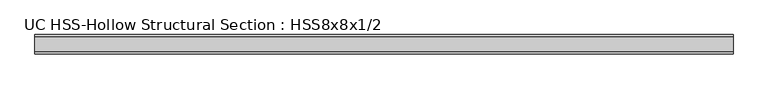
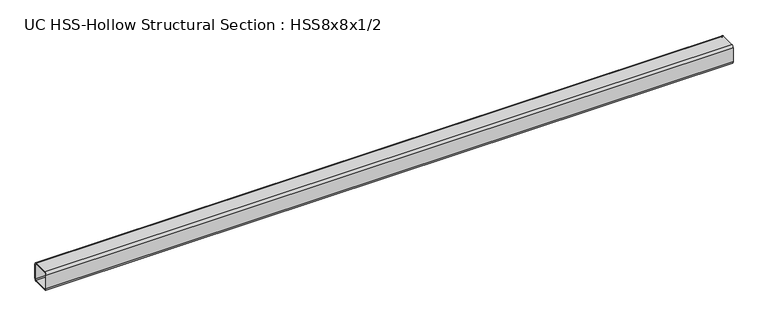
"""IFC4 building model written with IfcOpenShell, lengths in millimetres: beam geometry, UC HSS-Hollow Structural Section : HSS8x8x1/2."""

from ifc_helpers import new_model, si_unit, point, frame, frame_2d, origin, place, context, project, spatial, polyline, circle_curve, trimmed, segment, composite_curve, outline, extrude, source, transform, mapped, element, save


def uc_hss_hollow_structural_section_hss8x8x1_2_92a6abf5(model_context):
    return source(origin(), model_context, "Body", "SweptSolid", [
        extrude(outline(composite_curve([segment(trimmed(circle_curve(frame_2d((-77.978, 77.978)), 23.622), [point((-101.6, 77.978))], [point((-77.978, 101.6))], False, "CARTESIAN"), True, "CONTINUOUS"), segment(polyline([(-77.978, 101.6), (77.978, 101.6)]), True, "CONTINUOUS"), segment(trimmed(circle_curve(frame_2d((77.978, 77.978)), 23.622), [point((77.978, 101.6))], [point((101.6, 77.978))], False, "CARTESIAN"), True, "CONTINUOUS"), segment(polyline([(101.6, 77.978), (101.6, -77.978)]), True, "CONTINUOUS"), segment(trimmed(circle_curve(frame_2d((77.978, -77.978)), 23.622), [point((101.6, -77.978))], [point((77.978, -101.6))], False, "CARTESIAN"), True, "CONTINUOUS"), segment(polyline([(77.978, -101.6), (-77.978, -101.6)]), True, "CONTINUOUS"), segment(trimmed(circle_curve(frame_2d((-77.978, -77.978)), 23.622), [point((-77.978, -101.6))], [point((-101.6, -77.978))], False, "CARTESIAN"), True, "CONTINUOUS"), segment(polyline([(-101.6, -77.978), (-101.6, 77.978)]), True, "CONTINUOUS")], self_intersect=False), holes=[composite_curve([segment(polyline([(77.978, 89.789), (-77.978, 89.789)]), True, "CONTINUOUS"), segment(trimmed(circle_curve(frame_2d((-77.978, 77.978)), 11.811), [point((-77.978, 89.789))], [point((-89.789, 77.978))], True, "CARTESIAN"), True, "CONTINUOUS"), segment(polyline([(-89.789, 77.978), (-89.789, -77.978)]), True, "CONTINUOUS"), segment(trimmed(circle_curve(frame_2d((-77.978, -77.978)), 11.811), [point((-89.789, -77.978))], [point((-77.978, -89.789))], True, "CARTESIAN"), True, "CONTINUOUS"), segment(polyline([(-77.978, -89.789), (77.978, -89.789)]), True, "CONTINUOUS"), segment(trimmed(circle_curve(frame_2d((77.978, -77.978)), 11.811), [point((77.978, -89.789))], [point((89.789, -77.978))], True, "CARTESIAN"), True, "CONTINUOUS"), segment(polyline([(89.789, -77.978), (89.789, 77.978)]), True, "CONTINUOUS"), segment(trimmed(circle_curve(frame_2d((77.978, 77.978)), 11.811), [point((89.789, 77.978))], [point((77.978, 89.789))], True, "CARTESIAN"), True, "CONTINUOUS")], self_intersect=False)]), frame((-3608.6646299, 0.0, 0.0), z_axis=(1.0, 0.0, 0.0), x_axis=(0.0, 1.0, 0.0)), (0.0, 0.0, 1.0), 7309.2407936),
    ])


if __name__ == "__main__":
    model = new_model("IFC4")
    model_context = context("Model", 3, world=origin())
    ifc_project = project(units=[si_unit("LENGTHUNIT", "METRE", prefix="MILLI")], contexts=[model_context])
    site = spatial("IfcSite", under=ifc_project)
    building = spatial("IfcBuilding", under=site)
    placement = place(None, origin())
    uc_hss_hollow_structural_section_hss8x8x1_2_shape = uc_hss_hollow_structural_section_hss8x8x1_2_92a6abf5(model_context)
    element("IfcBeam", 1, ObjectType="UC HSS-Hollow Structural Section : HSS8x8x1/2", at=placement, inside=building, context=model_context, shape_type="MappedRepresentation", body=[
        mapped(uc_hss_hollow_structural_section_hss8x8x1_2_shape, transform((0.0, 0.0, 0.0), x_axis=(1.0, 0.0, 0.0), y_axis=(0.0, 1.0, 0.0), z_axis=(0.0, 0.0, 1.0))),
    ])
    save(model, "model.ifc")
